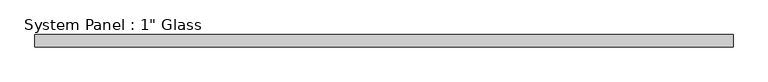
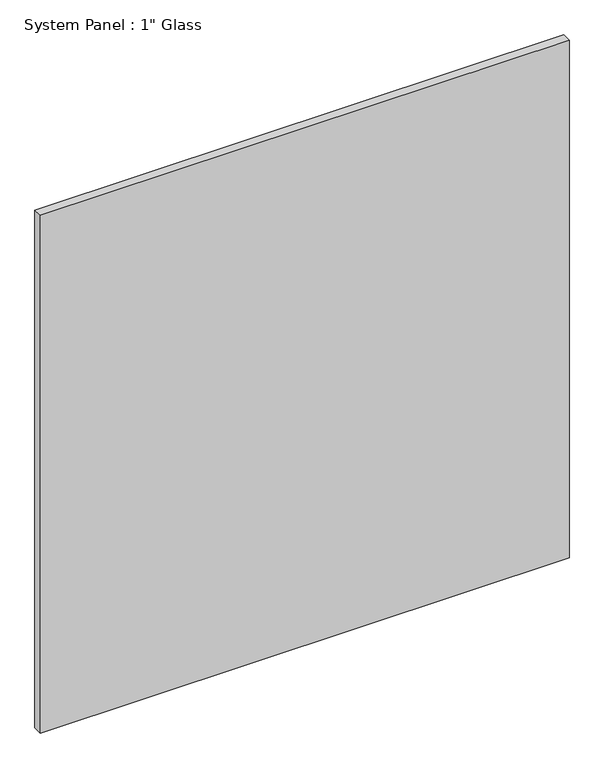
"""IFC4 building model written with IfcOpenShell, lengths in millimetres: plate geometry."""

from ifc_helpers import new_model, si_unit, origin, origin_with_axes, place, context, project, spatial, polyline, outline, extrude, source, transform, mapped, element, save


def plate_03e316c9(model_context):
    return source(origin(), model_context, "Body", "SweptSolid", [
        extrude(outline(polyline([(720.7258852, -12.7), (-720.7258852, -12.7), (-720.7258852, 12.7), (720.7258852, 12.7), (720.7258852, -12.7)])), origin_with_axes(), (0.0, 0.0, 1.0), 1492.2517704),
    ])


if __name__ == "__main__":
    model = new_model("IFC4")
    model_context = context("Model", 3, world=origin())
    ifc_project = project(units=[si_unit("LENGTHUNIT", "METRE", prefix="MILLI")], contexts=[model_context])
    site = spatial("IfcSite", under=ifc_project)
    building = spatial("IfcBuilding", under=site)
    placement = place(None, origin())
    plate_shape = plate_03e316c9(model_context)
    element("IfcPlate", 1, ObjectType="System Panel : 1\" Glass", at=placement, inside=building, context=model_context, shape_type="MappedRepresentation", body=[
        mapped(plate_shape, transform((0.0, 0.0, 0.0), x_axis=(1.0, 0.0, 0.0), y_axis=(0.0, 1.0, 0.0), z_axis=(0.0, 0.0, 1.0))),
    ])
    save(model, "model.ifc")
